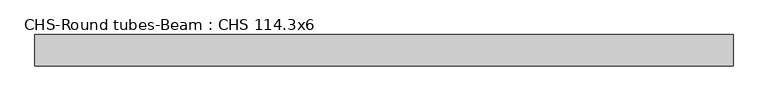
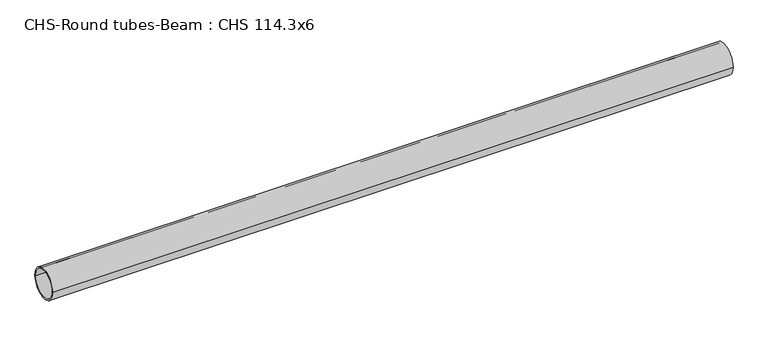
"""IFC4 building model written with IfcOpenShell, lengths in millimetres: beam geometry, CHS-Round tubes-Beam : CHS 114.3x6."""

import ifcopenshell
import ifcopenshell.guid

model = None  # the IFC model being written
_history = None  # IfcOwnerHistory: only IFC2X3 demands one
_inside = {}  # id of a spatial element -> (the spatial element, [elements in it])
_under = {}  # id of a project, library or spatial element -> (it, [spatial elements below it])
_declared = {}  # id of a project -> (the project, [libraries it declares])
_typed = {}  # id of a type object -> (the type object, [elements of that type])
_made_of = {}  # id of a material, layer set ... -> (it, [elements and type objects made of it])


def new_model(schema):
    """Start an empty IFC model of exactly this schema.

    Asked for "IFC4X3", IfcOpenShell would pick the latest addendum, in which some entities
    have other attributes; the version numbers below select the first issue.
    IFC2X3 requires an IfcOwnerHistory on every rooted entity: one is made here for all.
    """
    global model, _history
    if schema == "IFC4X3":
        model = ifcopenshell.file(schema_version=(4, 3, 0, 0))
    else:
        model = ifcopenshell.file(schema=schema)
    _inside.clear()
    _under.clear()
    _declared.clear()
    _typed.clear()
    _made_of.clear()
    _history = None
    if model.schema == "IFC2X3":
        org = make("IfcOrganization", Name="unknown")
        user = make(
            "IfcPersonAndOrganization",
            ThePerson=make("IfcPerson", FamilyName="unknown"),
            TheOrganization=org,
        )
        app = make(
            "IfcApplication",
            ApplicationDeveloper=org,
            Version="unknown",
            ApplicationFullName="unknown",
            ApplicationIdentifier="unknown",
        )
        _history = make(
            "IfcOwnerHistory",
            OwningUser=user,
            OwningApplication=app,
            ChangeAction="ADDED",
            CreationDate=0,
        )
    return model


def make(cls, **values):
    """One entity of the class cls with the attributes given. An attribute that is None is left unset."""
    return model.create_entity(
        cls, **{name: value for name, value in values.items() if value is not None}
    )


def rooted(cls, **values):
    """An entity with a GlobalId (a new one), such as an element, a storey or a relation."""
    return make(cls, GlobalId=ifcopenshell.guid.new(), OwnerHistory=_history, **values)


def si_unit(unit_type, name, prefix=None):
    """IfcSIUnit, for example si_unit("LENGTHUNIT", "METRE", prefix="MILLI")."""
    return make("IfcSIUnit", UnitType=unit_type, Prefix=prefix, Name=name)


def assignment(units):
    """IfcUnitAssignment: the units of a project."""
    return None if units is None else make("IfcUnitAssignment", Units=units)


def point(xyz):
    """IfcCartesianPoint."""
    return None if xyz is None else make("IfcCartesianPoint", Coordinates=xyz)


def direction(xyz):
    """IfcDirection."""
    return None if xyz is None else make("IfcDirection", DirectionRatios=xyz)


def frame(location, z_axis=None, x_axis=None):
    """IfcAxis2Placement3D, a coordinate frame: its origin and axes. An axis left out is left unset."""
    return make(
        "IfcAxis2Placement3D",
        Location=point(location),
        Axis=direction(z_axis),
        RefDirection=direction(x_axis),
    )


def frame_2d(location, x_axis=None):
    """IfcAxis2Placement2D, a coordinate frame in the plane: its origin and x axis."""
    return make(
        "IfcAxis2Placement2D", Location=point(location), RefDirection=direction(x_axis)
    )


def origin():
    """The frame at (0, 0, 0) with its axes left unset."""
    return frame((0.0, 0.0, 0.0))


def origin_2d():
    """The frame at (0, 0) in the plane with its x axis left unset."""
    return frame_2d((0.0, 0.0))


def place(relative_to, where):
    """IfcLocalPlacement: puts the frame where relative to a parent placement (None: the world)."""
    return make(
        "IfcLocalPlacement", PlacementRelTo=relative_to, RelativePlacement=where
    )


def context(
    kind, dimensions, precision=None, world=None, true_north=None, identifier=None
):
    """IfcGeometricRepresentationContext, for example the 3D "Model" context."""
    return make(
        "IfcGeometricRepresentationContext",
        ContextIdentifier=identifier,
        ContextType=kind,
        CoordinateSpaceDimension=dimensions,
        Precision=precision,
        WorldCoordinateSystem=world,
        TrueNorth=true_north,
    )


def project(units=None, contexts=None):
    """IfcProject with its units and contexts."""
    return rooted(
        "IfcProject",
        Name="project",
        RepresentationContexts=contexts,
        UnitsInContext=assignment(units),
    )


def spatial(cls, under=None, at=None, **own):
    """A site, building, storey or space (cls), placed at a placement, below another one or the project."""
    s = rooted(cls, ObjectPlacement=at, **own)
    if under is not None:
        _under.setdefault(under.id(), (under, []))[1].append(s)
    return s


def circle_curve(where, radius):
    """IfcCircle in the frame where."""
    return make("IfcCircle", Position=where, Radius=radius)


def trimmed(basis, trim1, trim2, sense, master):
    """IfcTrimmedCurve: the piece of a basis curve between two trims."""
    return make(
        "IfcTrimmedCurve",
        BasisCurve=basis,
        Trim1=trim1,
        Trim2=trim2,
        SenseAgreement=sense,
        MasterRepresentation=master,
    )


def segment(curve, same_sense, transition):
    """IfcCompositeCurveSegment."""
    return make(
        "IfcCompositeCurveSegment",
        Transition=transition,
        SameSense=same_sense,
        ParentCurve=curve,
    )


def composite_curve(segments, self_intersect=None):
    """IfcCompositeCurve: segments joined end to end."""
    return make("IfcCompositeCurve", Segments=segments, SelfIntersect=self_intersect)


def outline(outer, holes=None, kind="AREA"):
    """IfcArbitraryClosedProfileDef: a profile drawn as a closed curve; with holes, ...WithVoids."""
    if holes is None:
        return make("IfcArbitraryClosedProfileDef", ProfileType=kind, OuterCurve=outer)
    return make(
        "IfcArbitraryProfileDefWithVoids",
        ProfileType=kind,
        OuterCurve=outer,
        InnerCurves=holes,
    )


def extrude(swept, where, along, depth):
    """IfcExtrudedAreaSolid: the profile swept, set in the frame where, extruded along a direction by depth."""
    return make(
        "IfcExtrudedAreaSolid",
        SweptArea=swept,
        Position=where,
        ExtrudedDirection=direction(along),
        Depth=depth,
    )


def shape(context_of_items, identifier, shape_type, items):
    """IfcShapeRepresentation: the items that make up one representation, for example the "Body"."""
    return make(
        "IfcShapeRepresentation",
        ContextOfItems=context_of_items,
        RepresentationIdentifier=identifier,
        RepresentationType=shape_type,
        Items=items,
    )


def source(mapping_origin, context_of_items, identifier, shape_type, items):
    """IfcRepresentationMap: a shape defined once, which mapped items show again and again."""
    return make(
        "IfcRepresentationMap",
        MappingOrigin=mapping_origin,
        MappedRepresentation=shape(context_of_items, identifier, shape_type, items),
    )


def transform(
    local_origin,
    x_axis=None,
    y_axis=None,
    z_axis=None,
    scale=None,
    scale2=None,
    scale3=None,
    uniform=True,
):
    """IfcCartesianTransformationOperator3D, or its non-uniform kind. x_axis, y_axis, z_axis: its Axis1, 2, 3."""
    if uniform:
        return make(
            "IfcCartesianTransformationOperator3D",
            Axis1=direction(x_axis),
            Axis2=direction(y_axis),
            LocalOrigin=point(local_origin),
            Scale=scale,
            Axis3=direction(z_axis),
        )
    return make(
        "IfcCartesianTransformationOperator3DnonUniform",
        Axis1=direction(x_axis),
        Axis2=direction(y_axis),
        LocalOrigin=point(local_origin),
        Scale=scale,
        Axis3=direction(z_axis),
        Scale2=scale2,
        Scale3=scale3,
    )


def mapped(mapping_source, mapping_target):
    """IfcMappedItem: shows the shape of a source again, moved by a transform."""
    return make(
        "IfcMappedItem", MappingSource=mapping_source, MappingTarget=mapping_target
    )


def made_of(thing, what):
    """Note that an element or type object is made of a material, layer set ...; save() writes the relation."""
    if what is not None:
        _made_of.setdefault(what.id(), (what, []))[1].append(thing)
    return thing


def element(
    cls,
    number,
    at=None,
    inside=None,
    cuts=None,
    type_object=None,
    material=None,
    context=None,
    identifier="Body",
    shape_type=None,
    held_by="IfcProductDefinitionShape",
    body=None,
    shapes=None,
    **own,
):
    """One element of the class cls, such as IfcWall. Its Tag is "e" and its number.

    at: its placement. inside: the storey or other place that contains it. cuts: it is an
    opening in that element (IfcRelVoidsElement). A single representation is given by context,
    identifier, shape_type and body (its items); several are given by shapes. held_by: the class
    of the entity that holds the representations. save() writes the other relations.
    """
    e = rooted(cls, Tag="e%d" % number, ObjectPlacement=at, **own)
    if body is not None:
        shapes = [shape(context, identifier, shape_type, body)]
    if shapes is not None:
        e.Representation = make(held_by, Representations=shapes)
    if inside is not None:
        _inside.setdefault(inside.id(), (inside, []))[1].append(e)
    if cuts is not None:
        rooted(
            "IfcRelVoidsElement", RelatingBuildingElement=cuts, RelatedOpeningElement=e
        )
    if type_object is not None:
        _typed.setdefault(type_object.id(), (type_object, []))[1].append(e)
    return made_of(e, material)


def aggregate(whole, parts):
    """IfcRelAggregates: a whole, such as a stair, and the parts it consists of."""
    return rooted("IfcRelAggregates", RelatingObject=whole, RelatedObjects=parts)


def save(model, path):
    """Write the relations noted so far, then the file.

    IfcRelAggregates (storeys below a building ...), IfcRelContainedInSpatialStructure (elements
    in a storey), IfcRelDefinesByType, IfcRelAssociatesMaterial and IfcRelDeclares: one each for
    every whole, place, type object, material and project.
    """
    for whole, parts in _under.values():
        aggregate(whole, parts)
    for where, things in _inside.values():
        rooted(
            "IfcRelContainedInSpatialStructure",
            RelatedElements=things,
            RelatingStructure=where,
        )
    for kind, things in _typed.values():
        rooted("IfcRelDefinesByType", RelatedObjects=things, RelatingType=kind)
    for what, things in _made_of.values():
        rooted("IfcRelAssociatesMaterial", RelatedObjects=things, RelatingMaterial=what)
    for by, libraries in _declared.values():
        rooted("IfcRelDeclares", RelatingContext=by, RelatedDefinitions=libraries)
    model.write(path)


def chs_round_tubes_beam_chs_114_3x6_a58b494f(model_context):
    return source(origin(), model_context, "Body", "SweptSolid", [
        extrude(outline(composite_curve([segment(trimmed(circle_curve(origin_2d(), 57.15), [point((57.15, 0.0))], [point((-57.15, 0.0))], False, "CARTESIAN"), True, "CONTINUOUS"), segment(trimmed(circle_curve(origin_2d(), 57.15), [point((-57.15, 0.0))], [point((57.15, 0.0))], False, "CARTESIAN"), True, "CONTINUOUS")], self_intersect=False), holes=[composite_curve([segment(trimmed(circle_curve(origin_2d(), 51.15), [point((51.15, 0.0))], [point((-51.15, 0.0))], True, "CARTESIAN"), True, "CONTINUOUS"), segment(trimmed(circle_curve(origin_2d(), 51.15), [point((-51.15, 0.0))], [point((51.15, 0.0))], True, "CARTESIAN"), True, "CONTINUOUS")], self_intersect=False)]), frame((-1107.6120268, 0.0, 0.0), z_axis=(1.0, 0.0, 0.0), x_axis=(0.0, 1.0, 0.0)), (0.0, 0.0, 1.0), 2527.6830696),
    ])


if __name__ == "__main__":
    model = new_model("IFC4")
    model_context = context("Model", 3, world=origin())
    ifc_project = project(units=[si_unit("LENGTHUNIT", "METRE", prefix="MILLI")], contexts=[model_context])
    site = spatial("IfcSite", under=ifc_project)
    building = spatial("IfcBuilding", under=site)
    placement = place(None, origin())
    chs_round_tubes_beam_chs_114_3x6_shape = chs_round_tubes_beam_chs_114_3x6_a58b494f(model_context)
    element("IfcBeam", 1, ObjectType="CHS-Round tubes-Beam : CHS 114.3x6", at=placement, inside=building, context=model_context, shape_type="MappedRepresentation", body=[
        mapped(chs_round_tubes_beam_chs_114_3x6_shape, transform((0.0, 0.0, 0.0), x_axis=(1.0, 0.0, 0.0), y_axis=(0.0, 1.0, 0.0), z_axis=(0.0, 0.0, 1.0))),
    ])
    save(model, "model.ifc")
